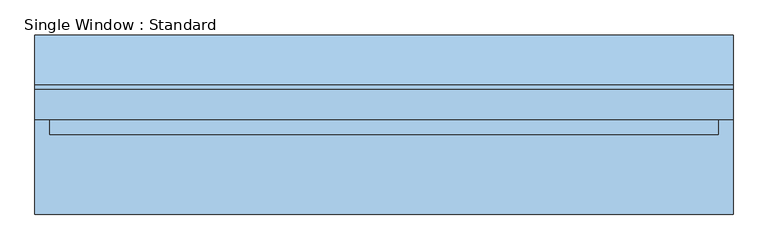
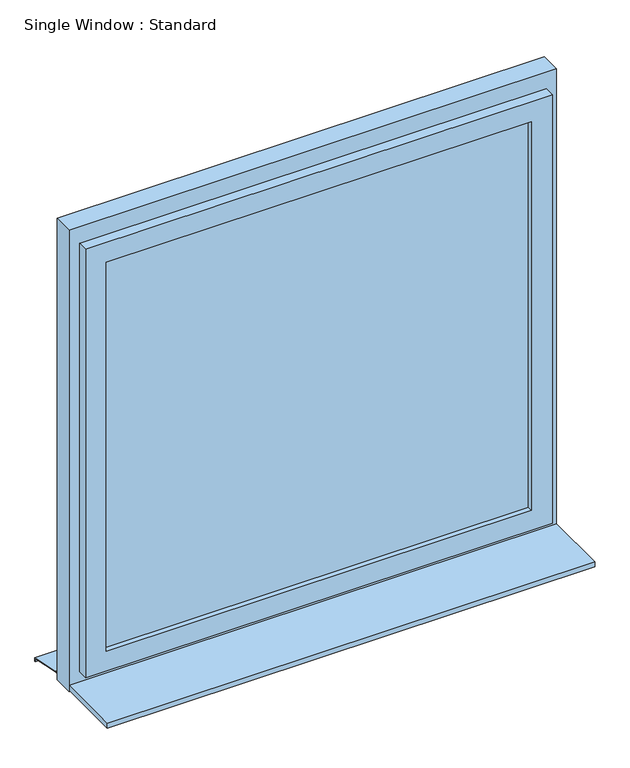
"""IFC4 building model written with IfcOpenShell, lengths in millimetres: window geometry, Single Window : Standard."""

from ifc_helpers import new_model, si_unit, frame, origin, place, context, project, spatial, polyline, outline, extrude, faceted_brep, source, transform, mapped, element, save


def single_window_standard_5c01ca2b(model_context):
    return source(origin(), model_context, "Body", "SolidModel", [
        extrude(outline(polyline([(610.0903347, -5.0), (-610.0903347, -5.0), (-610.0903347, 25.0), (610.0903347, 25.0), (610.0903347, -5.0)])), frame((0.0, 0.0, 1110.0), z_axis=(0.0, 0.0, 1.0), x_axis=(1.0, 0.0, 0.0)), (0.0, 0.0, 1.0), 1180.0),
        faceted_brep([(670.0903347, 10.0, 2350.0), (670.0903347, -20.0, 2350.0), (670.0903347, -20.0, 1050.0), (670.0903347, 10.0, 1050.0), (640.0903347, 40.0, 2320.0), (640.0903347, 10.0, 2320.0), (640.0903347, 10.0, 1080.0), (640.0903347, 40.0, 1080.0), (610.0903347, -20.0, 2290.0), (610.0903347, 40.0, 2290.0), (610.0903347, 40.0, 1110.0), (610.0903347, -20.0, 1110.0), (-670.0903347, -20.0, 1050.0), (-670.0903347, 10.0, 1050.0), (-640.0903347, 10.0, 1080.0), (-640.0903347, 40.0, 1080.0), (-610.0903347, 40.0, 1110.0), (-610.0903347, -20.0, 1110.0), (-670.0903347, -20.0, 2350.0), (-670.0903347, 10.0, 2350.0), (-640.0903347, 10.0, 2320.0), (-640.0903347, 40.0, 2320.0), (-610.0903347, 40.0, 2290.0), (-610.0903347, -20.0, 2290.0)], [[[0, 1, 2, 3]], [[4, 5, 6, 7]], [[8, 9, 10, 11]], [[3, 2, 12, 13]], [[7, 6, 14, 15]], [[11, 10, 16, 17]], [[13, 12, 18, 19]], [[15, 14, 20, 21]], [[17, 16, 22, 23]], [[19, 18, 1, 0]], [[3, 13, 19, 0], [5, 20, 14, 6]], [[21, 20, 5, 4]], [[7, 15, 21, 4], [9, 22, 16, 10]], [[23, 22, 9, 8]], [[1, 18, 12, 2], [11, 17, 23, 8]]]),
        extrude(outline(polyline([(2400.0, 700.0903347), (2400.0, -700.0903347), (1000.0, -700.0903347), (1000.0, 700.0903347), (2400.0, 700.0903347)]), holes=[polyline([(2320.0, 640.0903347), (1080.0, 640.0903347), (1080.0, -640.0903347), (2320.0, -640.0903347), (2320.0, 640.0903347)])]), frame((0.0, 10.0, 0.0), z_axis=(0.0, 1.0, 0.0), x_axis=(0.0, 0.0, 1.0)), (0.0, 0.0, 1.0), 60.0),
        extrude(outline(polyline([(80.0221543, 1020.0), (180.0, 1000.0), (180.0, 990.0), (178.0, 990.0), (178.0, 998.3604634), (79.8240723, 1018.0), (70.0, 1018.0), (70.0, 1020.0), (80.0221543, 1020.0)])), frame((-700.0903347, 0.0, 0.0), z_axis=(1.0, 0.0, 0.0), x_axis=(0.0, 1.0, 0.0)), (0.0, 0.0, 1.0), 1400.1806693),
        extrude(outline(polyline([(-700.0903347, -180.0), (-700.0903347, 10.0), (700.0903347, 10.0), (700.0903347, -180.0), (-700.0903347, -180.0)])), frame((0.0, 0.0, 1005.0), z_axis=(0.0, 0.0, 1.0), x_axis=(1.0, 0.0, 0.0)), (0.0, 0.0, 1.0), 15.0),
    ])


if __name__ == "__main__":
    model = new_model("IFC4")
    model_context = context("Model", 3, world=origin())
    ifc_project = project(units=[si_unit("LENGTHUNIT", "METRE", prefix="MILLI")], contexts=[model_context])
    site = spatial("IfcSite", under=ifc_project)
    building = spatial("IfcBuilding", under=site)
    placement = place(None, origin())
    single_window_standard_shape = single_window_standard_5c01ca2b(model_context)
    element("IfcWindow", 1, ObjectType="Single Window : Standard", at=placement, inside=building, context=model_context, shape_type="MappedRepresentation", body=[
        mapped(single_window_standard_shape, transform((0.0, 0.0, 0.0), x_axis=(1.0, 0.0, 0.0), y_axis=(0.0, 1.0, 0.0), z_axis=(0.0, 0.0, 1.0))),
    ])
    save(model, "model.ifc")
